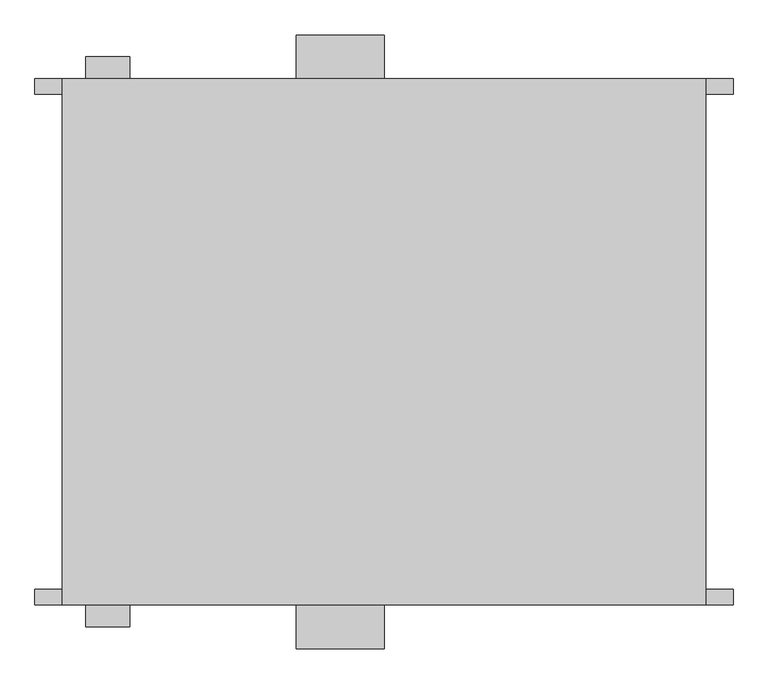
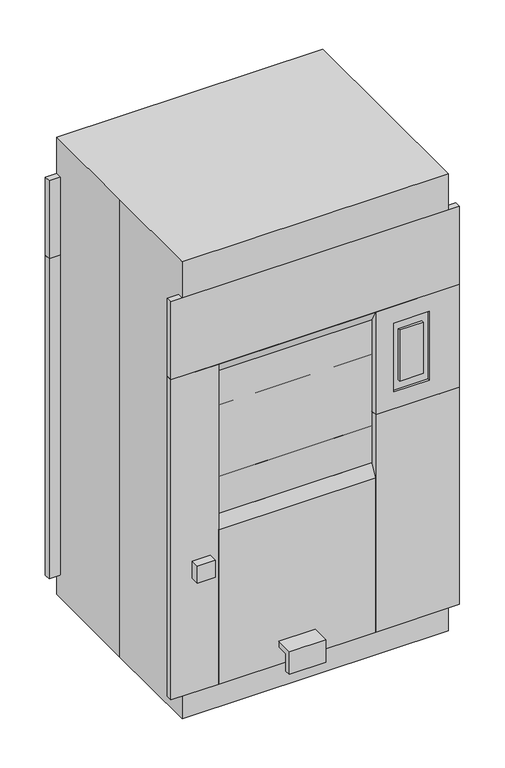
"""IFC4 building model written with IfcOpenShell, lengths in millimetres: proxy geometry."""

import ifcopenshell
import ifcopenshell.guid

model = None  # the IFC model being written
_history = None  # IfcOwnerHistory: only IFC2X3 demands one
_inside = {}  # id of a spatial element -> (the spatial element, [elements in it])
_under = {}  # id of a project, library or spatial element -> (it, [spatial elements below it])
_declared = {}  # id of a project -> (the project, [libraries it declares])
_typed = {}  # id of a type object -> (the type object, [elements of that type])
_made_of = {}  # id of a material, layer set ... -> (it, [elements and type objects made of it])


def new_model(schema):
    """Start an empty IFC model of exactly this schema.

    Asked for "IFC4X3", IfcOpenShell would pick the latest addendum, in which some entities
    have other attributes; the version numbers below select the first issue.
    IFC2X3 requires an IfcOwnerHistory on every rooted entity: one is made here for all.
    """
    global model, _history
    if schema == "IFC4X3":
        model = ifcopenshell.file(schema_version=(4, 3, 0, 0))
    else:
        model = ifcopenshell.file(schema=schema)
    _inside.clear()
    _under.clear()
    _declared.clear()
    _typed.clear()
    _made_of.clear()
    _history = None
    if model.schema == "IFC2X3":
        org = make("IfcOrganization", Name="unknown")
        user = make(
            "IfcPersonAndOrganization",
            ThePerson=make("IfcPerson", FamilyName="unknown"),
            TheOrganization=org,
        )
        app = make(
            "IfcApplication",
            ApplicationDeveloper=org,
            Version="unknown",
            ApplicationFullName="unknown",
            ApplicationIdentifier="unknown",
        )
        _history = make(
            "IfcOwnerHistory",
            OwningUser=user,
            OwningApplication=app,
            ChangeAction="ADDED",
            CreationDate=0,
        )
    return model


def make(cls, **values):
    """One entity of the class cls with the attributes given. An attribute that is None is left unset."""
    return model.create_entity(
        cls, **{name: value for name, value in values.items() if value is not None}
    )


def rooted(cls, **values):
    """An entity with a GlobalId (a new one), such as an element, a storey or a relation."""
    return make(cls, GlobalId=ifcopenshell.guid.new(), OwnerHistory=_history, **values)


def si_unit(unit_type, name, prefix=None):
    """IfcSIUnit, for example si_unit("LENGTHUNIT", "METRE", prefix="MILLI")."""
    return make("IfcSIUnit", UnitType=unit_type, Prefix=prefix, Name=name)


def assignment(units):
    """IfcUnitAssignment: the units of a project."""
    return None if units is None else make("IfcUnitAssignment", Units=units)


def point(xyz):
    """IfcCartesianPoint."""
    return None if xyz is None else make("IfcCartesianPoint", Coordinates=xyz)


def direction(xyz):
    """IfcDirection."""
    return None if xyz is None else make("IfcDirection", DirectionRatios=xyz)


def frame(location, z_axis=None, x_axis=None):
    """IfcAxis2Placement3D, a coordinate frame: its origin and axes. An axis left out is left unset."""
    return make(
        "IfcAxis2Placement3D",
        Location=point(location),
        Axis=direction(z_axis),
        RefDirection=direction(x_axis),
    )


def origin():
    """The frame at (0, 0, 0) with its axes left unset."""
    return frame((0.0, 0.0, 0.0))


def place(relative_to, where):
    """IfcLocalPlacement: puts the frame where relative to a parent placement (None: the world)."""
    return make(
        "IfcLocalPlacement", PlacementRelTo=relative_to, RelativePlacement=where
    )


def context(
    kind, dimensions, precision=None, world=None, true_north=None, identifier=None
):
    """IfcGeometricRepresentationContext, for example the 3D "Model" context."""
    return make(
        "IfcGeometricRepresentationContext",
        ContextIdentifier=identifier,
        ContextType=kind,
        CoordinateSpaceDimension=dimensions,
        Precision=precision,
        WorldCoordinateSystem=world,
        TrueNorth=true_north,
    )


def project(units=None, contexts=None):
    """IfcProject with its units and contexts."""
    return rooted(
        "IfcProject",
        Name="project",
        RepresentationContexts=contexts,
        UnitsInContext=assignment(units),
    )


def spatial(cls, under=None, at=None, **own):
    """A site, building, storey or space (cls), placed at a placement, below another one or the project."""
    s = rooted(cls, ObjectPlacement=at, **own)
    if under is not None:
        _under.setdefault(under.id(), (under, []))[1].append(s)
    return s


def polyline(points):
    """IfcPolyline through the points."""
    return make("IfcPolyline", Points=[point(p) for p in points])


def outline(outer, holes=None, kind="AREA"):
    """IfcArbitraryClosedProfileDef: a profile drawn as a closed curve; with holes, ...WithVoids."""
    if holes is None:
        return make("IfcArbitraryClosedProfileDef", ProfileType=kind, OuterCurve=outer)
    return make(
        "IfcArbitraryProfileDefWithVoids",
        ProfileType=kind,
        OuterCurve=outer,
        InnerCurves=holes,
    )


def extrude(swept, where, along, depth):
    """IfcExtrudedAreaSolid: the profile swept, set in the frame where, extruded along a direction by depth."""
    return make(
        "IfcExtrudedAreaSolid",
        SweptArea=swept,
        Position=where,
        ExtrudedDirection=direction(along),
        Depth=depth,
    )


def faces_of(points, faces, orient=None, outer=None):
    """IfcFace entities. A face is a list of loops; a loop is a list of indices into points, from 0.

    orient and outer hold one flag for each loop. By default every Orientation is true, the
    first loop of a face is its IfcFaceOuterBound and the others are IfcFaceBound.
    """
    made = []
    for i, loops in enumerate(faces):
        bounds = []
        for j, loop in enumerate(loops):
            is_outer = j == 0 if outer is None else outer[i][j]
            bounds.append(
                make(
                    "IfcFaceOuterBound" if is_outer else "IfcFaceBound",
                    Bound=make("IfcPolyLoop", Polygon=[points[k] for k in loop]),
                    Orientation=True if orient is None else orient[i][j],
                )
            )
        made.append(make("IfcFace", Bounds=bounds))
    return made


def faceted_brep(points, faces, orient=None, outer=None, voids=None):
    """IfcFacetedBrep: a solid bounded by flat faces; with voids (closed shells), ...WithVoids."""
    shared = [point(p) for p in points]
    hull = make("IfcClosedShell", CfsFaces=faces_of(shared, faces, orient, outer))
    if voids is None:
        return make("IfcFacetedBrep", Outer=hull)
    return make(
        "IfcFacetedBrepWithVoids",
        Outer=hull,
        Voids=[
            make(cls, CfsFaces=faces_of(shared, fs, o, b)) for cls, fs, o, b in voids
        ],
    )


def shape(context_of_items, identifier, shape_type, items):
    """IfcShapeRepresentation: the items that make up one representation, for example the "Body"."""
    return make(
        "IfcShapeRepresentation",
        ContextOfItems=context_of_items,
        RepresentationIdentifier=identifier,
        RepresentationType=shape_type,
        Items=items,
    )


def source(mapping_origin, context_of_items, identifier, shape_type, items):
    """IfcRepresentationMap: a shape defined once, which mapped items show again and again."""
    return make(
        "IfcRepresentationMap",
        MappingOrigin=mapping_origin,
        MappedRepresentation=shape(context_of_items, identifier, shape_type, items),
    )


def transform(
    local_origin,
    x_axis=None,
    y_axis=None,
    z_axis=None,
    scale=None,
    scale2=None,
    scale3=None,
    uniform=True,
):
    """IfcCartesianTransformationOperator3D, or its non-uniform kind. x_axis, y_axis, z_axis: its Axis1, 2, 3."""
    if uniform:
        return make(
            "IfcCartesianTransformationOperator3D",
            Axis1=direction(x_axis),
            Axis2=direction(y_axis),
            LocalOrigin=point(local_origin),
            Scale=scale,
            Axis3=direction(z_axis),
        )
    return make(
        "IfcCartesianTransformationOperator3DnonUniform",
        Axis1=direction(x_axis),
        Axis2=direction(y_axis),
        LocalOrigin=point(local_origin),
        Scale=scale,
        Axis3=direction(z_axis),
        Scale2=scale2,
        Scale3=scale3,
    )


def mapped(mapping_source, mapping_target):
    """IfcMappedItem: shows the shape of a source again, moved by a transform."""
    return make(
        "IfcMappedItem", MappingSource=mapping_source, MappingTarget=mapping_target
    )


def made_of(thing, what):
    """Note that an element or type object is made of a material, layer set ...; save() writes the relation."""
    if what is not None:
        _made_of.setdefault(what.id(), (what, []))[1].append(thing)
    return thing


def element(
    cls,
    number,
    at=None,
    inside=None,
    cuts=None,
    type_object=None,
    material=None,
    context=None,
    identifier="Body",
    shape_type=None,
    held_by="IfcProductDefinitionShape",
    body=None,
    shapes=None,
    **own,
):
    """One element of the class cls, such as IfcWall. Its Tag is "e" and its number.

    at: its placement. inside: the storey or other place that contains it. cuts: it is an
    opening in that element (IfcRelVoidsElement). A single representation is given by context,
    identifier, shape_type and body (its items); several are given by shapes. held_by: the class
    of the entity that holds the representations. save() writes the other relations.
    """
    e = rooted(cls, Tag="e%d" % number, ObjectPlacement=at, **own)
    if body is not None:
        shapes = [shape(context, identifier, shape_type, body)]
    if shapes is not None:
        e.Representation = make(held_by, Representations=shapes)
    if inside is not None:
        _inside.setdefault(inside.id(), (inside, []))[1].append(e)
    if cuts is not None:
        rooted(
            "IfcRelVoidsElement", RelatingBuildingElement=cuts, RelatedOpeningElement=e
        )
    if type_object is not None:
        _typed.setdefault(type_object.id(), (type_object, []))[1].append(e)
    return made_of(e, material)


def aggregate(whole, parts):
    """IfcRelAggregates: a whole, such as a stair, and the parts it consists of."""
    return rooted("IfcRelAggregates", RelatingObject=whole, RelatedObjects=parts)


def save(model, path):
    """Write the relations noted so far, then the file.

    IfcRelAggregates (storeys below a building ...), IfcRelContainedInSpatialStructure (elements
    in a storey), IfcRelDefinesByType, IfcRelAssociatesMaterial and IfcRelDeclares: one each for
    every whole, place, type object, material and project.
    """
    for whole, parts in _under.values():
        aggregate(whole, parts)
    for where, things in _inside.values():
        rooted(
            "IfcRelContainedInSpatialStructure",
            RelatedElements=things,
            RelatingStructure=where,
        )
    for kind, things in _typed.values():
        rooted("IfcRelDefinesByType", RelatedObjects=things, RelatingType=kind)
    for what, things in _made_of.values():
        rooted("IfcRelAssociatesMaterial", RelatedObjects=things, RelatingMaterial=what)
    for by, libraries in _declared.values():
        rooted("IfcRelDeclares", RelatingContext=by, RelatedDefinitions=libraries)
    model.write(path)


def specialty_equipment_b512978c(model_context):
    return source(origin(), model_context, "Body", "SolidModel", [
        extrude(outline(polyline([(430.2125, 1524.0), (457.2, 1524.0), (430.2125, 1473.2), (430.2125, 1524.0)])), frame((-406.4, 0.0, 0.0), z_axis=(1.0, 0.0, 0.0), x_axis=(0.0, 1.0, 0.0)), (0.0, 0.0, 1.0), 660.4),
        extrude(outline(polyline([(457.2, 101.6), (430.2125, 101.6), (430.2125, 838.2), (457.2, 787.4), (457.2, 101.6)])), frame((-406.4, 0.0, 0.0), z_axis=(1.0, 0.0, 0.0), x_axis=(0.0, 1.0, 0.0)), (0.0, 0.0, 1.0), 660.4),
        faceted_brep([(606.425, 457.2, 1524.0), (606.425, 457.2, 1066.8), (254.0, 457.2, 1066.8), (254.0, 457.2, 1524.0), (479.425, 457.2, 1447.8), (330.2, 457.2, 1447.8), (330.2, 457.2, 1143.0), (479.425, 457.2, 1143.0), (454.025, 457.2, 1409.7), (454.025, 457.2, 1181.1), (355.6, 457.2, 1181.1), (355.6, 457.2, 1409.7), (606.425, 430.2125, 1524.0), (254.0, 430.2125, 1524.0), (254.0, 430.2125, 1066.8), (606.425, 430.2125, 1066.8), (479.425, 448.0871048, 1447.8), (479.425, 448.0871048, 1143.0), (330.2, 448.0871048, 1143.0), (330.2, 448.0871048, 1447.8), (454.025, 448.0871048, 1409.7), (355.6, 448.0871048, 1409.7), (355.6, 448.0871048, 1181.1), (454.025, 448.0871048, 1181.1)], [[[0, 1, 2, 3], [4, 5, 6, 7]], [[8, 9, 10, 11]], [[12, 13, 14, 15]], [[0, 3, 13, 12]], [[3, 2, 14, 13]], [[2, 1, 15, 14]], [[1, 0, 12, 15]], [[16, 17, 18, 19], [20, 21, 22, 23]], [[16, 19, 5, 4]], [[19, 18, 6, 5]], [[18, 17, 7, 6]], [[17, 16, 4, 7]], [[20, 23, 9, 8]], [[23, 22, 10, 9]], [[22, 21, 11, 10]], [[21, 20, 8, 11]]]),
        extrude(outline(polyline([(606.425, -457.2), (254.0, -457.2), (254.0, -430.2125), (606.425, -430.2125), (606.425, -457.2)])), frame((0.0, 0.0, 101.6), z_axis=(0.0, 0.0, 1.0), x_axis=(1.0, 0.0, 0.0)), (0.0, 0.0, 1.0), 965.2),
        extrude(outline(polyline([(-406.4, -457.2), (-606.425, -457.2), (-606.425, -430.2125), (-406.4, -430.2125), (-406.4, -457.2)])), frame((0.0, 0.0, 101.6), z_axis=(0.0, 0.0, 1.0), x_axis=(1.0, 0.0, 0.0)), (0.0, 0.0, 1.0), 1422.4),
        extrude(outline(polyline([(606.425, -457.2), (-606.425, -457.2), (-606.425, -430.2125), (606.425, -430.2125), (606.425, -457.2)])), frame((0.0, 0.0, 1524.0), z_axis=(0.0, 0.0, 1.0), x_axis=(1.0, 0.0, 0.0)), (0.0, 0.0, 1.0), 346.075),
        extrude(outline(polyline([(533.4, 203.2), (533.4, 101.6), (508.0, 101.6), (508.0, 177.8), (457.2, 177.8), (457.2, 203.2), (533.4, 203.2)])), frame((-152.4, 0.0, 0.0), z_axis=(1.0, 0.0, 0.0), x_axis=(0.0, 1.0, 0.0)), (0.0, 0.0, 1.0), 152.4),
        extrude(outline(polyline([(-517.7182221, 495.3), (-441.5182221, 495.3), (-441.5182221, 457.2), (-517.7182221, 457.2), (-517.7182221, 495.3)])), frame((0.0, 0.0, 611.2734951), z_axis=(0.0, 0.0, 1.0), x_axis=(1.0, 0.0, 0.0)), (0.0, 0.0, 1.0), 76.2),
        extrude(outline(polyline([(254.0, 457.2), (606.425, 457.2), (606.425, 430.2125), (254.0, 430.2125), (254.0, 457.2)])), frame((0.0, 0.0, 101.6), z_axis=(0.0, 0.0, 1.0), x_axis=(1.0, 0.0, 0.0)), (0.0, 0.0, 1.0), 965.2),
        extrude(outline(polyline([(-606.425, 457.2), (-406.4, 457.2), (-406.4, 430.2125), (-606.425, 430.2125), (-606.425, 457.2)])), frame((0.0, 0.0, 101.6), z_axis=(0.0, 0.0, 1.0), x_axis=(1.0, 0.0, 0.0)), (0.0, 0.0, 1.0), 1422.4),
        extrude(outline(polyline([(-606.425, 457.2), (606.425, 457.2), (606.425, 430.2125), (-606.425, 430.2125), (-606.425, 457.2)])), frame((0.0, 0.0, 1524.0), z_axis=(0.0, 0.0, 1.0), x_axis=(1.0, 0.0, 0.0)), (0.0, 0.0, 1.0), 346.075),
        extrude(outline(polyline([(-533.4, 203.2), (-457.2, 203.2), (-457.2, 177.8), (-508.0, 177.8), (-508.0, 101.6), (-533.4, 101.6), (-533.4, 203.2)])), frame((-152.4, 0.0, 0.0), z_axis=(1.0, 0.0, 0.0), x_axis=(0.0, 1.0, 0.0)), (0.0, 0.0, 1.0), 152.4),
        extrude(outline(polyline([(-441.5182221, -495.3), (-517.7182221, -495.3), (-517.7182221, -457.2), (-441.5182221, -457.2), (-441.5182221, -495.3)])), frame((0.0, 0.0, 611.2734951), z_axis=(0.0, 0.0, 1.0), x_axis=(1.0, 0.0, 0.0)), (0.0, 0.0, 1.0), 76.2),
        extrude(outline(polyline([(-457.2, 1524.0), (-430.2125, 1524.0), (-430.2125, 1473.2), (-457.2, 1524.0)])), frame((-406.4, 0.0, 0.0), z_axis=(1.0, 0.0, 0.0), x_axis=(0.0, 1.0, 0.0)), (0.0, 0.0, 1.0), 660.4),
        extrude(outline(polyline([(-430.2125, 101.6), (-457.2, 101.6), (-457.2, 787.4), (-430.2125, 838.2), (-430.2125, 101.6)])), frame((-406.4, 0.0, 0.0), z_axis=(1.0, 0.0, 0.0), x_axis=(0.0, 1.0, 0.0)), (0.0, 0.0, 1.0), 660.4),
        faceted_brep([(479.425, -448.0871048, 1447.8), (330.2, -448.0871048, 1447.8), (330.2, -448.0871048, 1143.0), (479.425, -448.0871048, 1143.0), (454.025, -448.0871048, 1409.7), (454.025, -448.0871048, 1181.1), (355.6, -448.0871048, 1181.1), (355.6, -448.0871048, 1409.7), (479.425, -457.2, 1447.8), (330.2, -457.2, 1447.8), (330.2, -457.2, 1143.0), (479.425, -457.2, 1143.0), (454.025, -457.2, 1409.7), (454.025, -457.2, 1181.1), (355.6, -457.2, 1181.1), (355.6, -457.2, 1409.7), (606.425, -457.2, 1524.0), (254.0, -457.2, 1524.0), (254.0, -457.2, 1066.8), (606.425, -457.2, 1066.8), (606.425, -430.2125, 1524.0), (606.425, -430.2125, 1066.8), (254.0, -430.2125, 1066.8), (254.0, -430.2125, 1524.0)], [[[0, 1, 2, 3], [4, 5, 6, 7]], [[1, 0, 8, 9]], [[2, 1, 9, 10]], [[3, 2, 10, 11]], [[0, 3, 11, 8]], [[5, 4, 12, 13]], [[6, 5, 13, 14]], [[7, 6, 14, 15]], [[4, 7, 15, 12]], [[16, 17, 18, 19], [9, 8, 11, 10]], [[13, 12, 15, 14]], [[20, 21, 22, 23]], [[17, 16, 20, 23]], [[18, 17, 23, 22]], [[19, 18, 22, 21]], [[16, 19, 21, 20]]]),
        extrude(outline(polyline([(254.0, -430.2125), (-406.4, -430.2125), (-406.4, 430.2125), (254.0, 430.2125), (254.0, -430.2125)])), frame((0.0, 0.0, 838.2), z_axis=(0.0, 0.0, 1.0), x_axis=(1.0, 0.0, 0.0)), (0.0, 0.0, 1.0), 635.0),
        extrude(outline(polyline([(0.0, 555.625), (1870.075, 555.625), (1870.075, -555.625), (0.0, -555.625), (0.0, 555.625)]), holes=[polyline([(1473.2, 254.0), (1320.8, 254.0), (1320.8, -406.4), (1473.2, -406.4), (1473.2, 254.0)]), polyline([(838.2, -406.4), (996.95, -406.4), (996.95, 254.0), (838.2, 254.0), (838.2, -406.4)]), polyline([(1314.45, 254.0), (1162.05, 254.0), (1162.05, -406.4), (1314.45, -406.4), (1314.45, 254.0)]), polyline([(1155.7, 254.0), (1003.3, 254.0), (1003.3, -406.4), (1155.7, -406.4), (1155.7, 254.0)])]), frame((0.0, -430.2125, 0.0), z_axis=(0.0, 1.0, 0.0), x_axis=(0.0, 0.0, 1.0)), (0.0, 0.0, 1.0), 860.425),
        faceted_brep([(-558.8, 457.2, 2032.0), (-558.8, 0.0, 2032.0), (-558.8, -457.2, 2032.0), (558.8, -457.2, 2032.0), (558.8, 457.2, 2032.0), (-558.8, 457.2, 0.0), (558.8, 457.2, 0.0), (558.8, -457.2, 0.0), (-558.8, -457.2, 0.0), (-558.8, 0.0, 0.0), (-406.4, -457.2, 1524.0), (254.0, -457.2, 1524.0), (254.0, -457.2, 787.4), (-406.4, -457.2, 787.4), (330.2, -457.2, 1447.8), (479.425, -457.2, 1447.8), (479.425, -457.2, 1143.0), (330.2, -457.2, 1143.0), (454.025, -457.2, 1181.1), (454.025, -457.2, 1409.7), (355.6, -457.2, 1409.7), (355.6, -457.2, 1181.1), (254.0, 457.2, 1524.0), (-406.4, 457.2, 1524.0), (-406.4, 457.2, 787.4), (254.0, 457.2, 787.4), (479.425, 457.2, 1447.8), (330.2, 457.2, 1447.8), (330.2, 457.2, 1143.0), (479.425, 457.2, 1143.0), (454.025, 457.2, 1409.7), (454.025, 457.2, 1181.1), (355.6, 457.2, 1181.1), (355.6, 457.2, 1409.7), (254.0, -430.2125, 1473.2), (-406.4, -430.2125, 1473.2), (-406.4, -430.2125, 838.2), (254.0, -430.2125, 838.2), (-406.4, -455.6125, 1524.0), (254.0, -455.6125, 1524.0), (254.0, -455.6125, 1521.0117647), (-406.4, -455.6125, 1521.0117647), (254.0, -455.6125, 787.4), (-406.4, -455.6125, 787.4), (-406.4, -455.6125, 790.3882353), (254.0, -455.6125, 790.3882353), (479.425, -448.0871048, 1447.8), (330.2, -448.0871048, 1447.8), (330.2, -448.0871048, 1143.0), (479.425, -448.0871048, 1143.0), (454.025, -448.0871048, 1409.7), (454.025, -448.0871048, 1181.1), (355.6, -448.0871048, 1181.1), (355.6, -448.0871048, 1409.7), (254.0, 430.2125, 1473.2), (254.0, 430.2125, 838.2), (-406.4, 430.2125, 838.2), (-406.4, 430.2125, 1473.2), (479.425, 448.0871048, 1447.8), (479.425, 448.0871048, 1143.0), (330.2, 448.0871048, 1143.0), (330.2, 448.0871048, 1447.8), (454.025, 448.0871048, 1409.7), (355.6, 448.0871048, 1409.7), (355.6, 448.0871048, 1181.1), (454.025, 448.0871048, 1181.1)], [[[0, 1, 2, 3, 4]], [[5, 6, 7, 8, 9]], [[1, 0, 5, 9]], [[2, 1, 9, 8]], [[3, 2, 8, 7], [10, 11, 12, 13], [14, 15, 16, 17]], [[18, 19, 20, 21]], [[4, 3, 7, 6]], [[0, 4, 6, 5], [22, 23, 24, 25], [26, 27, 28, 29]], [[30, 31, 32, 33]], [[34, 35, 36, 37]], [[38, 39, 40, 41]], [[42, 43, 44, 45]], [[35, 34, 39, 38]], [[36, 35, 38, 41, 10, 13, 44, 43]], [[37, 36, 43, 42]], [[34, 37, 42, 45, 12, 11, 40, 39]], [[10, 41, 40, 11]], [[44, 13, 12, 45]], [[46, 47, 48, 49], [50, 51, 52, 53]], [[47, 46, 15, 14]], [[48, 47, 14, 17]], [[49, 48, 17, 16]], [[46, 49, 16, 15]], [[51, 50, 19, 18]], [[52, 51, 18, 21]], [[53, 52, 21, 20]], [[50, 53, 20, 19]], [[54, 55, 56, 57]], [[54, 57, 23, 22]], [[57, 56, 24, 23]], [[56, 55, 25, 24]], [[55, 54, 22, 25]], [[58, 59, 60, 61], [62, 63, 64, 65]], [[58, 61, 27, 26]], [[61, 60, 28, 27]], [[60, 59, 29, 28]], [[59, 58, 26, 29]], [[62, 65, 31, 30]], [[65, 64, 32, 31]], [[64, 63, 33, 32]], [[63, 62, 30, 33]]]),
    ])


if __name__ == "__main__":
    model = new_model("IFC4")
    model_context = context("Model", 3, world=origin())
    ifc_project = project(units=[si_unit("LENGTHUNIT", "METRE", prefix="MILLI")], contexts=[model_context])
    site = spatial("IfcSite", under=ifc_project)
    building = spatial("IfcBuilding", under=site)
    placement = place(None, origin())
    specialty_equipment_shape = specialty_equipment_b512978c(model_context)
    element("IfcBuildingElementProxy", 1, Name="Specialty Equipment", at=placement, inside=building, context=model_context, shape_type="MappedRepresentation", body=[
        mapped(specialty_equipment_shape, transform((0.0, 0.0, 0.0), x_axis=(1.0, 0.0, 0.0), y_axis=(0.0, 1.0, 0.0), z_axis=(0.0, 0.0, 1.0))),
    ])
    save(model, "model.ifc")
